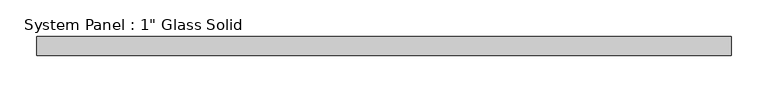
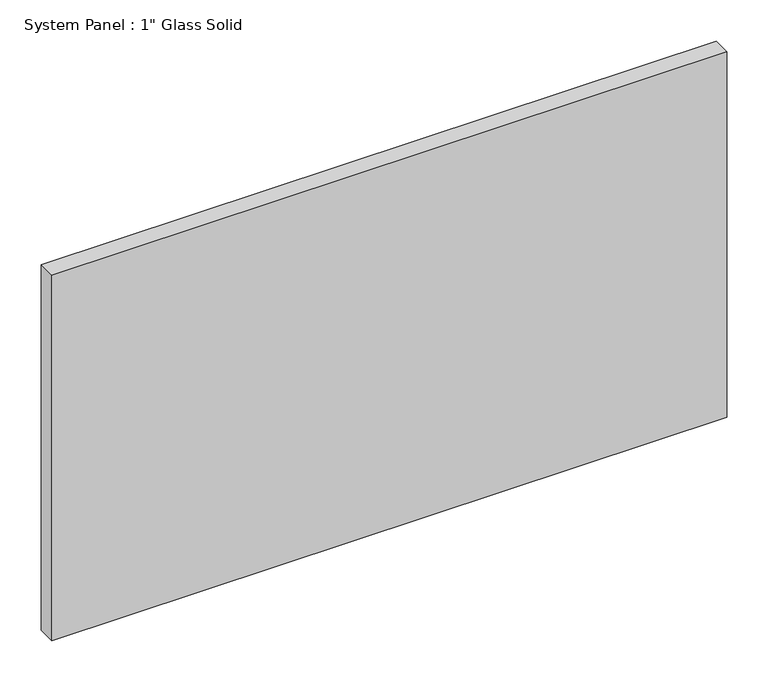
"""IFC4 building model written with IfcOpenShell, lengths in millimetres: plate geometry."""

from ifc_helpers import new_model, si_unit, origin, origin_with_axes, place, context, project, spatial, polyline, outline, extrude, source, transform, mapped, element, save


def plate_455263b1(model_context):
    return source(origin(), model_context, "Body", "SweptSolid", [
        extrude(outline(polyline([(471.4875, -12.7), (-471.4875, -12.7), (-471.4875, 12.7), (471.4875, 12.7), (471.4875, -12.7)])), origin_with_axes(), (0.0, 0.0, 1.0), 539.7535408),
    ])


if __name__ == "__main__":
    model = new_model("IFC4")
    model_context = context("Model", 3, world=origin())
    ifc_project = project(units=[si_unit("LENGTHUNIT", "METRE", prefix="MILLI")], contexts=[model_context])
    site = spatial("IfcSite", under=ifc_project)
    building = spatial("IfcBuilding", under=site)
    placement = place(None, origin())
    plate_shape = plate_455263b1(model_context)
    element("IfcPlate", 1, ObjectType="System Panel : 1\" Glass Solid", at=placement, inside=building, context=model_context, shape_type="MappedRepresentation", body=[
        mapped(plate_shape, transform((0.0, 0.0, 0.0), x_axis=(1.0, 0.0, 0.0), y_axis=(0.0, 1.0, 0.0), z_axis=(0.0, 0.0, 1.0))),
    ])
    save(model, "model.ifc")
